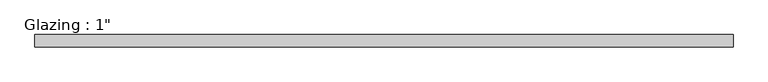
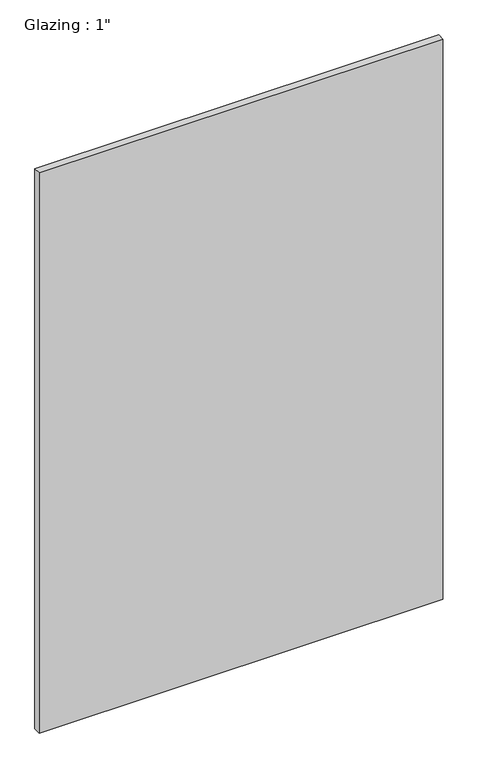
"""IFC4 building model written with IfcOpenShell, lengths in millimetres: plate geometry."""

from ifc_helpers import new_model, si_unit, origin, origin_with_axes, place, context, project, spatial, polyline, outline, extrude, source, transform, mapped, element, save


def plate_ba3beee8(model_context):
    return source(origin(), model_context, "Body", "SweptSolid", [
        extrude(outline(polyline([(713.8392649, -12.7), (-713.8392649, -12.7), (-713.8392649, 12.7), (713.8392649, 12.7), (713.8392649, -12.7)])), origin_with_axes(), (0.0, 0.0, 1.0), 2094.5430277),
    ])


if __name__ == "__main__":
    model = new_model("IFC4")
    model_context = context("Model", 3, world=origin())
    ifc_project = project(units=[si_unit("LENGTHUNIT", "METRE", prefix="MILLI")], contexts=[model_context])
    site = spatial("IfcSite", under=ifc_project)
    building = spatial("IfcBuilding", under=site)
    placement = place(None, origin())
    plate_shape = plate_ba3beee8(model_context)
    element("IfcPlate", 1, ObjectType="Glazing : 1\"", at=placement, inside=building, context=model_context, shape_type="MappedRepresentation", body=[
        mapped(plate_shape, transform((0.0, 0.0, 0.0), x_axis=(1.0, 0.0, 0.0), y_axis=(0.0, 1.0, 0.0), z_axis=(0.0, 0.0, 1.0))),
    ])
    save(model, "model.ifc")
